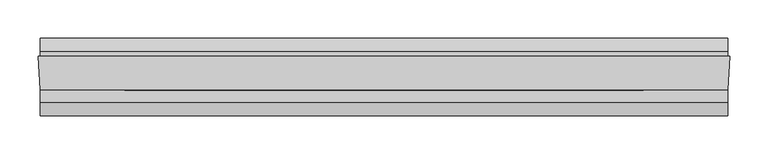
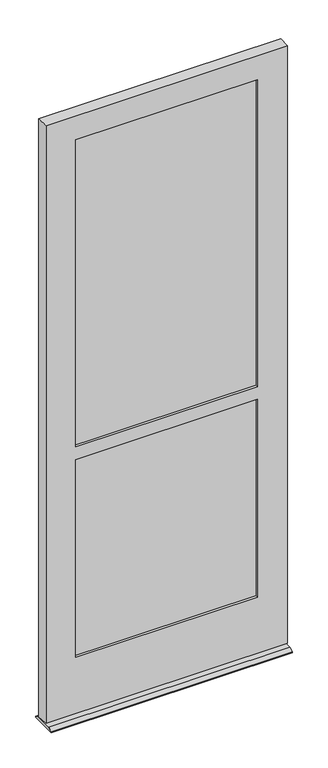
"""IFC4 building model written with IfcOpenShell, lengths in millimetres: plate geometry."""

import ifcopenshell
import ifcopenshell.guid

model = None  # the IFC model being written
_history = None  # IfcOwnerHistory: only IFC2X3 demands one
_inside = {}  # id of a spatial element -> (the spatial element, [elements in it])
_under = {}  # id of a project, library or spatial element -> (it, [spatial elements below it])
_declared = {}  # id of a project -> (the project, [libraries it declares])
_typed = {}  # id of a type object -> (the type object, [elements of that type])
_made_of = {}  # id of a material, layer set ... -> (it, [elements and type objects made of it])


def new_model(schema):
    """Start an empty IFC model of exactly this schema.

    Asked for "IFC4X3", IfcOpenShell would pick the latest addendum, in which some entities
    have other attributes; the version numbers below select the first issue.
    IFC2X3 requires an IfcOwnerHistory on every rooted entity: one is made here for all.
    """
    global model, _history
    if schema == "IFC4X3":
        model = ifcopenshell.file(schema_version=(4, 3, 0, 0))
    else:
        model = ifcopenshell.file(schema=schema)
    _inside.clear()
    _under.clear()
    _declared.clear()
    _typed.clear()
    _made_of.clear()
    _history = None
    if model.schema == "IFC2X3":
        org = make("IfcOrganization", Name="unknown")
        user = make(
            "IfcPersonAndOrganization",
            ThePerson=make("IfcPerson", FamilyName="unknown"),
            TheOrganization=org,
        )
        app = make(
            "IfcApplication",
            ApplicationDeveloper=org,
            Version="unknown",
            ApplicationFullName="unknown",
            ApplicationIdentifier="unknown",
        )
        _history = make(
            "IfcOwnerHistory",
            OwningUser=user,
            OwningApplication=app,
            ChangeAction="ADDED",
            CreationDate=0,
        )
    return model


def make(cls, **values):
    """One entity of the class cls with the attributes given. An attribute that is None is left unset."""
    return model.create_entity(
        cls, **{name: value for name, value in values.items() if value is not None}
    )


def rooted(cls, **values):
    """An entity with a GlobalId (a new one), such as an element, a storey or a relation."""
    return make(cls, GlobalId=ifcopenshell.guid.new(), OwnerHistory=_history, **values)


def si_unit(unit_type, name, prefix=None):
    """IfcSIUnit, for example si_unit("LENGTHUNIT", "METRE", prefix="MILLI")."""
    return make("IfcSIUnit", UnitType=unit_type, Prefix=prefix, Name=name)


def assignment(units):
    """IfcUnitAssignment: the units of a project."""
    return None if units is None else make("IfcUnitAssignment", Units=units)


def point(xyz):
    """IfcCartesianPoint."""
    return None if xyz is None else make("IfcCartesianPoint", Coordinates=xyz)


def direction(xyz):
    """IfcDirection."""
    return None if xyz is None else make("IfcDirection", DirectionRatios=xyz)


def frame(location, z_axis=None, x_axis=None):
    """IfcAxis2Placement3D, a coordinate frame: its origin and axes. An axis left out is left unset."""
    return make(
        "IfcAxis2Placement3D",
        Location=point(location),
        Axis=direction(z_axis),
        RefDirection=direction(x_axis),
    )


def origin():
    """The frame at (0, 0, 0) with its axes left unset."""
    return frame((0.0, 0.0, 0.0))


def place(relative_to, where):
    """IfcLocalPlacement: puts the frame where relative to a parent placement (None: the world)."""
    return make(
        "IfcLocalPlacement", PlacementRelTo=relative_to, RelativePlacement=where
    )


def context(
    kind, dimensions, precision=None, world=None, true_north=None, identifier=None
):
    """IfcGeometricRepresentationContext, for example the 3D "Model" context."""
    return make(
        "IfcGeometricRepresentationContext",
        ContextIdentifier=identifier,
        ContextType=kind,
        CoordinateSpaceDimension=dimensions,
        Precision=precision,
        WorldCoordinateSystem=world,
        TrueNorth=true_north,
    )


def project(units=None, contexts=None):
    """IfcProject with its units and contexts."""
    return rooted(
        "IfcProject",
        Name="project",
        RepresentationContexts=contexts,
        UnitsInContext=assignment(units),
    )


def spatial(cls, under=None, at=None, **own):
    """A site, building, storey or space (cls), placed at a placement, below another one or the project."""
    s = rooted(cls, ObjectPlacement=at, **own)
    if under is not None:
        _under.setdefault(under.id(), (under, []))[1].append(s)
    return s


def polyline(points):
    """IfcPolyline through the points."""
    return make("IfcPolyline", Points=[point(p) for p in points])


def outline(outer, holes=None, kind="AREA"):
    """IfcArbitraryClosedProfileDef: a profile drawn as a closed curve; with holes, ...WithVoids."""
    if holes is None:
        return make("IfcArbitraryClosedProfileDef", ProfileType=kind, OuterCurve=outer)
    return make(
        "IfcArbitraryProfileDefWithVoids",
        ProfileType=kind,
        OuterCurve=outer,
        InnerCurves=holes,
    )


def extrude(swept, where, along, depth):
    """IfcExtrudedAreaSolid: the profile swept, set in the frame where, extruded along a direction by depth."""
    return make(
        "IfcExtrudedAreaSolid",
        SweptArea=swept,
        Position=where,
        ExtrudedDirection=direction(along),
        Depth=depth,
    )


def faces_of(points, faces, orient=None, outer=None):
    """IfcFace entities. A face is a list of loops; a loop is a list of indices into points, from 0.

    orient and outer hold one flag for each loop. By default every Orientation is true, the
    first loop of a face is its IfcFaceOuterBound and the others are IfcFaceBound.
    """
    made = []
    for i, loops in enumerate(faces):
        bounds = []
        for j, loop in enumerate(loops):
            is_outer = j == 0 if outer is None else outer[i][j]
            bounds.append(
                make(
                    "IfcFaceOuterBound" if is_outer else "IfcFaceBound",
                    Bound=make("IfcPolyLoop", Polygon=[points[k] for k in loop]),
                    Orientation=True if orient is None else orient[i][j],
                )
            )
        made.append(make("IfcFace", Bounds=bounds))
    return made


def faceted_brep(points, faces, orient=None, outer=None, voids=None):
    """IfcFacetedBrep: a solid bounded by flat faces; with voids (closed shells), ...WithVoids."""
    shared = [point(p) for p in points]
    hull = make("IfcClosedShell", CfsFaces=faces_of(shared, faces, orient, outer))
    if voids is None:
        return make("IfcFacetedBrep", Outer=hull)
    return make(
        "IfcFacetedBrepWithVoids",
        Outer=hull,
        Voids=[
            make(cls, CfsFaces=faces_of(shared, fs, o, b)) for cls, fs, o, b in voids
        ],
    )


def shape(context_of_items, identifier, shape_type, items):
    """IfcShapeRepresentation: the items that make up one representation, for example the "Body"."""
    return make(
        "IfcShapeRepresentation",
        ContextOfItems=context_of_items,
        RepresentationIdentifier=identifier,
        RepresentationType=shape_type,
        Items=items,
    )


def source(mapping_origin, context_of_items, identifier, shape_type, items):
    """IfcRepresentationMap: a shape defined once, which mapped items show again and again."""
    return make(
        "IfcRepresentationMap",
        MappingOrigin=mapping_origin,
        MappedRepresentation=shape(context_of_items, identifier, shape_type, items),
    )


def transform(
    local_origin,
    x_axis=None,
    y_axis=None,
    z_axis=None,
    scale=None,
    scale2=None,
    scale3=None,
    uniform=True,
):
    """IfcCartesianTransformationOperator3D, or its non-uniform kind. x_axis, y_axis, z_axis: its Axis1, 2, 3."""
    if uniform:
        return make(
            "IfcCartesianTransformationOperator3D",
            Axis1=direction(x_axis),
            Axis2=direction(y_axis),
            LocalOrigin=point(local_origin),
            Scale=scale,
            Axis3=direction(z_axis),
        )
    return make(
        "IfcCartesianTransformationOperator3DnonUniform",
        Axis1=direction(x_axis),
        Axis2=direction(y_axis),
        LocalOrigin=point(local_origin),
        Scale=scale,
        Axis3=direction(z_axis),
        Scale2=scale2,
        Scale3=scale3,
    )


def mapped(mapping_source, mapping_target):
    """IfcMappedItem: shows the shape of a source again, moved by a transform."""
    return make(
        "IfcMappedItem", MappingSource=mapping_source, MappingTarget=mapping_target
    )


def made_of(thing, what):
    """Note that an element or type object is made of a material, layer set ...; save() writes the relation."""
    if what is not None:
        _made_of.setdefault(what.id(), (what, []))[1].append(thing)
    return thing


def element(
    cls,
    number,
    at=None,
    inside=None,
    cuts=None,
    type_object=None,
    material=None,
    context=None,
    identifier="Body",
    shape_type=None,
    held_by="IfcProductDefinitionShape",
    body=None,
    shapes=None,
    **own,
):
    """One element of the class cls, such as IfcWall. Its Tag is "e" and its number.

    at: its placement. inside: the storey or other place that contains it. cuts: it is an
    opening in that element (IfcRelVoidsElement). A single representation is given by context,
    identifier, shape_type and body (its items); several are given by shapes. held_by: the class
    of the entity that holds the representations. save() writes the other relations.
    """
    e = rooted(cls, Tag="e%d" % number, ObjectPlacement=at, **own)
    if body is not None:
        shapes = [shape(context, identifier, shape_type, body)]
    if shapes is not None:
        e.Representation = make(held_by, Representations=shapes)
    if inside is not None:
        _inside.setdefault(inside.id(), (inside, []))[1].append(e)
    if cuts is not None:
        rooted(
            "IfcRelVoidsElement", RelatingBuildingElement=cuts, RelatedOpeningElement=e
        )
    if type_object is not None:
        _typed.setdefault(type_object.id(), (type_object, []))[1].append(e)
    return made_of(e, material)


def aggregate(whole, parts):
    """IfcRelAggregates: a whole, such as a stair, and the parts it consists of."""
    return rooted("IfcRelAggregates", RelatingObject=whole, RelatedObjects=parts)


def save(model, path):
    """Write the relations noted so far, then the file.

    IfcRelAggregates (storeys below a building ...), IfcRelContainedInSpatialStructure (elements
    in a storey), IfcRelDefinesByType, IfcRelAssociatesMaterial and IfcRelDeclares: one each for
    every whole, place, type object, material and project.
    """
    for whole, parts in _under.values():
        aggregate(whole, parts)
    for where, things in _inside.values():
        rooted(
            "IfcRelContainedInSpatialStructure",
            RelatedElements=things,
            RelatingStructure=where,
        )
    for kind, things in _typed.values():
        rooted("IfcRelDefinesByType", RelatedObjects=things, RelatingType=kind)
    for what, things in _made_of.values():
        rooted("IfcRelAssociatesMaterial", RelatedObjects=things, RelatingMaterial=what)
    for by, libraries in _declared.values():
        rooted("IfcRelDeclares", RelatingContext=by, RelatedDefinitions=libraries)
    model.write(path)


def plate_93f7b360(model_context):
    return source(origin(), model_context, "Body", "SolidModel", [
        faceted_brep([(452.17183, -80.9625908, 4.9183299), (452.17183, -80.9625908, 0.0003044), (452.17183, 20.6375, 0.0003044), (452.17183, 20.6375, 4.9183299), (452.17183, 3.9496546, 12.7), (452.17183, -64.2747454, 12.7), (-451.92847, -80.9625908, 4.9183299), (-451.92847, -64.2747454, 12.7), (-451.92847, 3.9496546, 12.7), (-451.92847, 20.6375, 4.9183299), (-451.92847, 20.6375, 0.0003044), (-451.92847, -80.9625908, 0.0003044)], [[[0, 1, 2, 3, 4, 5]], [[6, 7, 8, 9, 10, 11]], [[0, 5, 7, 6]], [[1, 0, 6, 11]], [[2, 1, 11, 10]], [[3, 2, 10, 9]], [[4, 3, 9, 8]], [[5, 4, 8, 7]]]),
        faceted_brep([(452.17183, -47.625, 2384.421825), (454.94043, -3.175, 2384.421825), (-454.69707, -3.175, 2384.421825), (-451.92847, -47.625, 2384.421825), (340.64043, -3.175, 2289.175), (340.64043, -12.7, 2289.175), (-340.39707, -12.7, 2289.175), (-340.39707, -3.175, 2289.175), (347.78418, -12.7, 2296.31875), (347.78418, -38.1, 2296.31875), (-347.54082, -38.1, 2296.31875), (-347.54082, -12.7, 2296.31875), (340.64043, -38.1, 2289.175), (340.64043, -47.625, 2289.175), (-340.39707, -47.625, 2289.175), (-340.39707, -38.1, 2289.175), (347.78418, -38.1, 1029.49375), (-347.54082, -38.1, 1029.49375), (-347.54082, -12.7, 1029.49375), (347.78418, -12.7, 1029.49375), (-340.39707, -3.175, 1022.35), (340.64043, -3.175, 1022.35), (340.64043, -12.7, 1022.35), (-340.39707, -12.7, 1022.35), (340.64043, -3.175, 1073.15), (-340.39707, -3.175, 1073.15), (-340.39707, -12.7, 1073.15), (340.64043, -12.7, 1073.15), (-347.54082, -38.1, 1066.00625), (347.78418, -38.1, 1066.00625), (347.78418, -12.7, 1066.00625), (-347.54082, -12.7, 1066.00625), (340.64043, -38.1, 1073.15), (-340.39707, -38.1, 1073.15), (-340.39707, -47.625, 1073.15), (340.64043, -47.625, 1073.15), (-340.39707, -38.1, 1022.35), (340.64043, -38.1, 1022.35), (340.64043, -47.625, 1022.35), (-340.39707, -47.625, 1022.35), (347.78418, -38.1, 232.56875), (347.78418, -12.7, 232.56875), (-347.54082, -12.7, 232.56875), (-347.54082, -38.1, 232.56875), (-340.39707, -38.1, 239.7125), (340.64043, -38.1, 239.7125), (340.64043, -47.625, 239.7125), (-340.39707, -47.625, 239.7125), (-451.92847, -47.625, 17.4625), (452.17183, -47.625, 17.4625), (454.94043, -3.175, 17.4625), (-454.69707, -3.175, 17.4625), (-340.39707, -3.175, 239.7125), (340.64043, -3.175, 239.7125), (340.64043, -12.7, 239.7125), (-340.39707, -12.7, 239.7125)], [[[0, 1, 2, 3]], [[4, 5, 6, 7]], [[8, 9, 10, 11]], [[12, 13, 14, 15]], [[16, 17, 18, 19]], [[20, 21, 22, 23]], [[24, 25, 26, 27]], [[28, 29, 30, 31]], [[32, 33, 34, 35]], [[36, 37, 38, 39]], [[40, 41, 42, 43]], [[10, 9, 29, 28], [12, 15, 33, 32]], [[40, 43, 17, 16], [44, 45, 37, 36]], [[46, 45, 44, 47]], [[0, 3, 48, 49], [14, 13, 35, 34], [47, 39, 38, 46]], [[1, 50, 51, 2], [7, 25, 24, 4], [52, 53, 21, 20]], [[54, 53, 52, 55]], [[8, 11, 31, 30], [6, 5, 27, 26]], [[42, 41, 19, 18], [54, 55, 23, 22]], [[48, 3, 2, 51]], [[15, 14, 34, 33]], [[47, 44, 36, 39]], [[17, 43, 42, 18]], [[31, 11, 10, 28]], [[7, 6, 26, 25]], [[55, 52, 20, 23]], [[50, 49, 48, 51]], [[1, 0, 49, 50]], [[5, 4, 24, 27]], [[53, 54, 22, 21]], [[29, 9, 8, 30]], [[19, 41, 40, 16]], [[13, 12, 32, 35]], [[45, 46, 38, 37]]]),
        extrude(outline(polyline([(-347.54082, -18.9992), (-347.54082, -12.7), (347.78418, -12.7), (347.78418, -18.9992), (-347.54082, -18.9992)])), frame((0.0, 0.0, 232.56875), z_axis=(0.0, 0.0, 1.0), x_axis=(1.0, 0.0, 0.0)), (0.0, 0.0, 1.0), 796.925),
        extrude(outline(polyline([(-347.54082, -38.1), (-347.54082, -31.8008), (347.78418, -31.8008), (347.78418, -38.1), (-347.54082, -38.1)])), frame((0.0, 0.0, 232.56875), z_axis=(0.0, 0.0, 1.0), x_axis=(1.0, 0.0, 0.0)), (0.0, 0.0, 1.0), 796.925),
        extrude(outline(polyline([(347.78418, -38.1), (-347.54082, -38.1), (-347.54082, -31.8008), (347.78418, -31.8008), (347.78418, -38.1)])), frame((0.0, 0.0, 1066.00625), z_axis=(0.0, 0.0, 1.0), x_axis=(1.0, 0.0, 0.0)), (0.0, 0.0, 1.0), 1230.3125),
        extrude(outline(polyline([(-347.54082, -12.7), (347.78418, -12.7), (347.78418, -18.9992), (-347.54082, -18.9992), (-347.54082, -12.7)])), frame((0.0, 0.0, 1066.00625), z_axis=(0.0, 0.0, 1.0), x_axis=(1.0, 0.0, 0.0)), (0.0, 0.0, 1.0), 1230.3125),
    ])


if __name__ == "__main__":
    model = new_model("IFC4")
    model_context = context("Model", 3, world=origin())
    ifc_project = project(units=[si_unit("LENGTHUNIT", "METRE", prefix="MILLI")], contexts=[model_context])
    site = spatial("IfcSite", under=ifc_project)
    building = spatial("IfcBuilding", under=site)
    placement = place(None, origin())
    plate_shape = plate_93f7b360(model_context)
    element("IfcPlate", 1, at=placement, inside=building, context=model_context, shape_type="MappedRepresentation", body=[
        mapped(plate_shape, transform((0.0, 0.0, 0.0), x_axis=(1.0, 0.0, 0.0), y_axis=(0.0, 1.0, 0.0), z_axis=(0.0, 0.0, 1.0))),
    ])
    save(model, "model.ifc")
